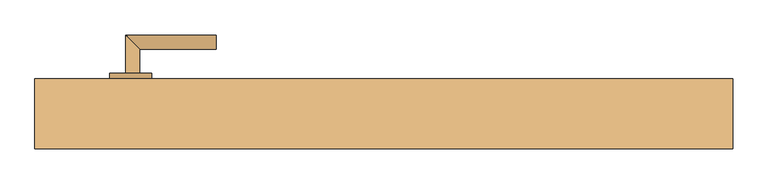
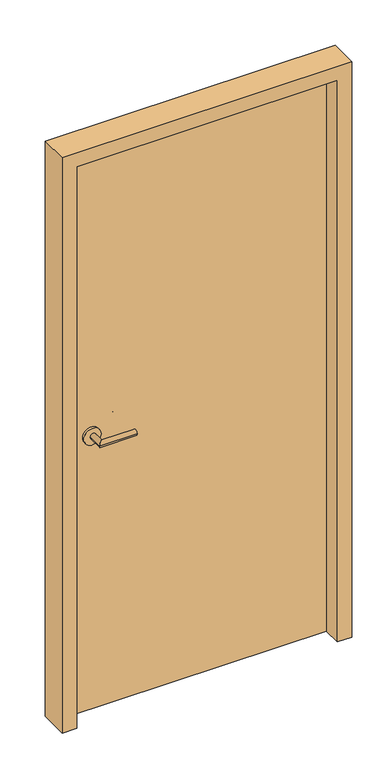
"""IFC4 building model written with IfcOpenShell, lengths in millimetres: door geometry."""

from ifc_helpers import new_model, si_unit, frame, origin, origin_with_axes, place, context, project, spatial, polyline, circle_curve, ellipse_curve, outline, extrude, faceted_brep, source, transform, mapped, element, save
from ifc_brep_helpers import plane_surface, cylinder_surface, advanced_brep


def door_5f7a1abe(model_context):
    return source(origin(), model_context, "Body", "SolidModel", [
        advanced_brep(
        [(-370.0, 107.0, 1000.0), (-350.0, 107.0, 1000.0), (-350.0, 72.0, 1000.0), (-370.0, 52.0, 1000.0), (-240.0, 52.0, 1000.0), (-240.0, 72.0, 1000.0), (-392.5, 107.0, 1000.0), (-332.5, 107.0, 1000.0), (-392.5, 115.0, 1000.0), (-332.5, 115.0, 1000.0)],
        [
            (0, 1, circle_curve(frame((-360.0, 107.0, 1000.0), z_axis=(0.0, -1.0, 0.0), x_axis=(1.0, 0.0, 0.0)), 10.0)),
            (1, 2),
            (2, 3, ellipse_curve(frame((-360.0, 62.0, 1000.0), z_axis=(-0.7071067811865561, 0.7071067811865388, 0.0), x_axis=(0.7071067811865388, 0.7071067811865562, 0.0)), 14.1421356, 10.0)),
            (3, 0),
            (3, 2, ellipse_curve(frame((-360.0, 62.0, 1000.0), z_axis=(-0.7071067811865561, 0.7071067811865388, 0.0), x_axis=(0.7071067811865388, 0.7071067811865562, 0.0)), 14.1421356, 10.0)),
            (1, 0, circle_curve(frame((-360.0, 107.0, 1000.0), z_axis=(0.0, -1.0, 0.0), x_axis=(1.0, 0.0, 0.0)), 10.0)),
            (4, 5, circle_curve(frame((-240.0, 62.0, 1000.0), z_axis=(1.0, 0.0, 0.0), x_axis=(0.0, 1.0, 0.0)), 10.0)),
            (5, 4, circle_curve(frame((-240.0, 62.0, 1000.0), z_axis=(1.0, 0.0, 0.0), x_axis=(0.0, 1.0, 0.0)), 10.0)),
            (2, 5),
            (4, 3),
            (6, 7, circle_curve(frame((-362.5, 107.0, 1000.0), z_axis=(0.0, -1.0, 0.0), x_axis=(1.0, 0.0, 0.0)), 30.0)),
            (7, 6, circle_curve(frame((-362.5, 107.0, 1000.0), z_axis=(0.0, -1.0, 0.0), x_axis=(1.0, 0.0, 0.0)), 30.0)),
            (8, 9, circle_curve(frame((-362.5, 115.0, 1000.0), z_axis=(0.0, 1.0, 0.0), x_axis=(1.0, 0.0, 0.0)), 30.0)),
            (9, 8, circle_curve(frame((-362.5, 115.0, 1000.0), z_axis=(0.0, 1.0, 0.0), x_axis=(1.0, 0.0, 0.0)), 30.0)),
            (7, 9),
            (8, 6),
        ],
        [
            cylinder_surface(frame((-360.0, 107.0, 1000.0), z_axis=(0.0, 1.0, 0.0), x_axis=(1.0, 0.0, 0.0)), 10.0),
            plane_surface(frame((-240.0, 62.0, 1000.0), z_axis=(1.0, 0.0, 0.0), x_axis=(0.0, 0.0, 1.0))),
            cylinder_surface(frame((-360.0, 62.0, 1000.0), z_axis=(-1.0, 0.0, 0.0), x_axis=(0.0, 1.0, 0.0)), 10.0),
            plane_surface(frame((-332.5, 107.0, 1000.0), z_axis=(0.0, -1.0, 0.0), x_axis=(0.0, 0.0, -1.0))),
            plane_surface(frame((-332.5, 115.0, 1000.0), z_axis=(0.0, 1.0, 0.0), x_axis=(0.0, 0.0, 1.0))),
            cylinder_surface(frame((-362.5, 115.0, 1000.0), z_axis=(0.0, -1.0, 0.0), x_axis=(1.0, 0.0, 0.0)), 30.0),
        ],
        [
            (0, [[1, 2, 3, 4]]),
            (0, [[5, -2, 6, -4]]),
            (1, [[7, 8]]),
            (2, [[9, -7, 10, -3]]),
            (2, [[-10, -8, -9, -5]]),
            (3, [[11, 12], [-6, -1]]),
            (4, [[13, 14]]),
            (5, [[15, -13, 16, -12]]),
            (5, [[-16, -14, -15, -11]]),
        ],
    ),
        advanced_brep(
        [(-370.0, 158.0, 1000.0), (-370.0, 213.0, 1000.0), (-350.0, 193.0, 1000.0), (-350.0, 158.0, 1000.0), (-240.0, 213.0, 1000.0), (-240.0, 193.0, 1000.0), (-392.5, 158.0, 1000.0), (-332.5, 158.0, 1000.0), (-392.5, 150.0, 1000.0), (-332.5, 150.0, 1000.0)],
        [
            (0, 1),
            (1, 2, ellipse_curve(frame((-360.0, 203.0, 1000.0), z_axis=(-0.7071067811865379, -0.707106781186557, 0.0), x_axis=(0.7071067811865569, -0.707106781186538, 0.0)), 14.1421356, 10.0)),
            (2, 3),
            (3, 0, circle_curve(frame((-360.0, 158.0, 1000.0), z_axis=(0.0, 1.0, 0.0), x_axis=(1.0, 0.0, 0.0)), 10.0)),
            (0, 3, circle_curve(frame((-360.0, 158.0, 1000.0), z_axis=(0.0, 1.0, 0.0), x_axis=(1.0, 0.0, 0.0)), 10.0)),
            (2, 1, ellipse_curve(frame((-360.0, 203.0, 1000.0), z_axis=(-0.7071067811865379, -0.707106781186557, 0.0), x_axis=(0.7071067811865569, -0.707106781186538, 0.0)), 14.1421356, 10.0)),
            (4, 5, circle_curve(frame((-240.0, 203.0, 1000.0), z_axis=(1.0, 0.0, 0.0), x_axis=(0.0, -1.0, 0.0)), 10.0)),
            (5, 4, circle_curve(frame((-240.0, 203.0, 1000.0), z_axis=(1.0, 0.0, 0.0), x_axis=(0.0, -1.0, 0.0)), 10.0)),
            (1, 4),
            (5, 2),
            (6, 7, circle_curve(frame((-362.5, 158.0, 1000.0), z_axis=(0.0, 1.0, 0.0), x_axis=(1.0, 0.0, 0.0)), 30.0)),
            (7, 6, circle_curve(frame((-362.5, 158.0, 1000.0), z_axis=(0.0, 1.0, 0.0), x_axis=(1.0, 0.0, 0.0)), 30.0)),
            (8, 9, circle_curve(frame((-362.5, 150.0, 1000.0), z_axis=(0.0, -1.0, 0.0), x_axis=(1.0, 0.0, 0.0)), 30.0)),
            (9, 8, circle_curve(frame((-362.5, 150.0, 1000.0), z_axis=(0.0, -1.0, 0.0), x_axis=(1.0, 0.0, 0.0)), 30.0)),
            (6, 8),
            (9, 7),
        ],
        [
            cylinder_surface(frame((-360.0, 158.0, 1000.0), z_axis=(0.0, -1.0, 0.0), x_axis=(1.0, 0.0, 0.0)), 10.0),
            plane_surface(frame((-240.0, 203.0, 1000.0), z_axis=(1.0, 0.0, 0.0), x_axis=(0.0, 0.0, 1.0))),
            cylinder_surface(frame((-360.0, 203.0, 1000.0), z_axis=(-1.0, 0.0, 0.0), x_axis=(0.0, -1.0, 0.0)), 10.0),
            plane_surface(frame((-332.5, 158.0, 1000.0), z_axis=(0.0, 1.0, 0.0), x_axis=(0.0, 0.0, -1.0))),
            plane_surface(frame((-332.5, 150.0, 1000.0), z_axis=(0.0, -1.0, 0.0), x_axis=(0.0, 0.0, 1.0))),
            cylinder_surface(frame((-362.5, 150.0, 1000.0), z_axis=(0.0, 1.0, 0.0), x_axis=(1.0, 0.0, 0.0)), 30.0),
        ],
        [
            (0, [[1, 2, 3, 4]]),
            (0, [[-1, 5, -3, 6]]),
            (1, [[7, 8]]),
            (2, [[-2, 9, -8, 10]]),
            (2, [[-6, -10, -7, -9]]),
            (3, [[11, 12], [-4, -5]]),
            (4, [[13, 14]]),
            (5, [[-11, 15, -14, 16]]),
            (5, [[-12, -16, -13, -15]]),
        ],
    ),
        extrude(outline(polyline([(-460.0, 150.0), (460.0, 150.0), (460.0, 115.0), (-460.0, 115.0), (-460.0, 150.0)])), origin_with_axes(), (0.0, 0.0, 1.0), 2060.0),
        faceted_brep([(-500.0, 50.0, 0.0), (-500.0, 150.0, 0.0), (-465.0, 150.0, 0.0), (-465.0, 115.0, 0.0), (-450.0, 115.0, 0.0), (-450.0, 50.0, 0.0), (-450.0, 50.0, 2050.0), (450.0, 50.0, 2050.0), (450.0, 50.0, 0.0), (500.0, 50.0, 0.0), (500.0, 50.0, 2100.0), (-500.0, 50.0, 2100.0), (-450.0, 115.0, 2050.0), (-465.0, 115.0, 2065.0), (465.0, 115.0, 2065.0), (465.0, 115.0, 0.0), (450.0, 115.0, 0.0), (450.0, 115.0, 2050.0), (-465.0, 150.0, 2065.0), (-500.0, 150.0, 2100.0), (500.0, 150.0, 2100.0), (500.0, 150.0, 0.0), (465.0, 150.0, 0.0), (465.0, 150.0, 2065.0)], [[[0, 1, 2, 3, 4, 5]], [[5, 6, 7, 8, 9, 10, 11, 0]], [[4, 12, 6, 5]], [[3, 13, 14, 15, 16, 17, 12, 4]], [[2, 18, 13, 3]], [[1, 19, 20, 21, 22, 23, 18, 2]], [[0, 11, 19, 1]], [[12, 17, 7, 6]], [[18, 23, 14, 13]], [[11, 10, 20, 19]], [[9, 8, 16, 15, 22, 21]], [[17, 16, 8, 7]], [[23, 22, 15, 14]], [[10, 9, 21, 20]]]),
    ])


if __name__ == "__main__":
    model = new_model("IFC4")
    model_context = context("Model", 3, world=origin())
    ifc_project = project(units=[si_unit("LENGTHUNIT", "METRE", prefix="MILLI")], contexts=[model_context])
    site = spatial("IfcSite", under=ifc_project)
    building = spatial("IfcBuilding", under=site)
    placement = place(None, origin())
    door_shape = door_5f7a1abe(model_context)
    element("IfcDoor", 1, at=placement, inside=building, context=model_context, shape_type="MappedRepresentation", body=[
        mapped(door_shape, transform((0.0, 0.0, 0.0), x_axis=(1.0, 0.0, 0.0), y_axis=(0.0, 1.0, 0.0), z_axis=(0.0, 0.0, 1.0))),
    ])
    save(model, "model.ifc")
